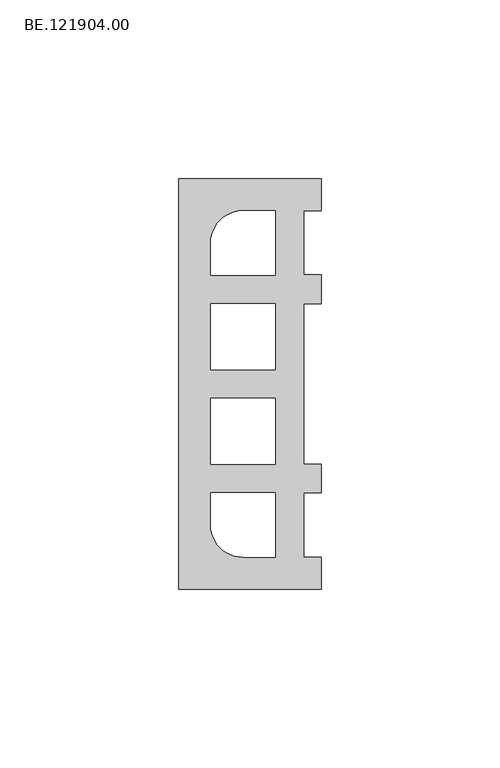
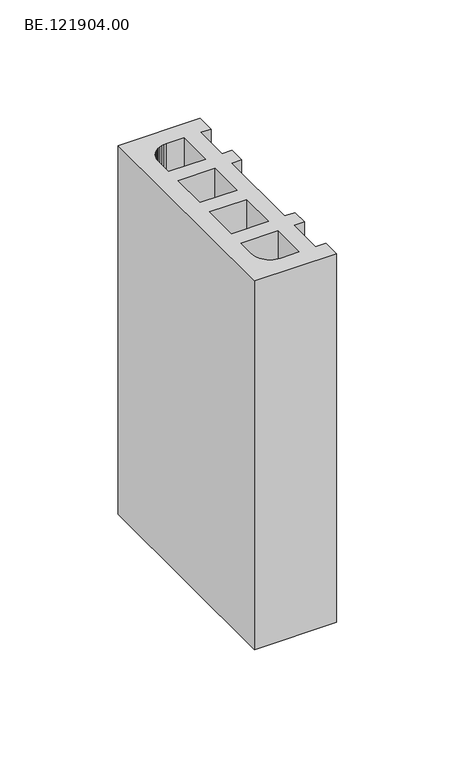
"""IFC4 building model written with IfcOpenShell, lengths in millimetres: proxy geometry, BE.121904.00."""

import ifcopenshell
import ifcopenshell.guid

model = None  # the IFC model being written
_history = None  # IfcOwnerHistory: only IFC2X3 demands one
_inside = {}  # id of a spatial element -> (the spatial element, [elements in it])
_under = {}  # id of a project, library or spatial element -> (it, [spatial elements below it])
_declared = {}  # id of a project -> (the project, [libraries it declares])
_typed = {}  # id of a type object -> (the type object, [elements of that type])
_made_of = {}  # id of a material, layer set ... -> (it, [elements and type objects made of it])


def new_model(schema):
    """Start an empty IFC model of exactly this schema.

    Asked for "IFC4X3", IfcOpenShell would pick the latest addendum, in which some entities
    have other attributes; the version numbers below select the first issue.
    IFC2X3 requires an IfcOwnerHistory on every rooted entity: one is made here for all.
    """
    global model, _history
    if schema == "IFC4X3":
        model = ifcopenshell.file(schema_version=(4, 3, 0, 0))
    else:
        model = ifcopenshell.file(schema=schema)
    _inside.clear()
    _under.clear()
    _declared.clear()
    _typed.clear()
    _made_of.clear()
    _history = None
    if model.schema == "IFC2X3":
        org = make("IfcOrganization", Name="unknown")
        user = make(
            "IfcPersonAndOrganization",
            ThePerson=make("IfcPerson", FamilyName="unknown"),
            TheOrganization=org,
        )
        app = make(
            "IfcApplication",
            ApplicationDeveloper=org,
            Version="unknown",
            ApplicationFullName="unknown",
            ApplicationIdentifier="unknown",
        )
        _history = make(
            "IfcOwnerHistory",
            OwningUser=user,
            OwningApplication=app,
            ChangeAction="ADDED",
            CreationDate=0,
        )
    return model


def make(cls, **values):
    """One entity of the class cls with the attributes given. An attribute that is None is left unset."""
    return model.create_entity(
        cls, **{name: value for name, value in values.items() if value is not None}
    )


def rooted(cls, **values):
    """An entity with a GlobalId (a new one), such as an element, a storey or a relation."""
    return make(cls, GlobalId=ifcopenshell.guid.new(), OwnerHistory=_history, **values)


def si_unit(unit_type, name, prefix=None):
    """IfcSIUnit, for example si_unit("LENGTHUNIT", "METRE", prefix="MILLI")."""
    return make("IfcSIUnit", UnitType=unit_type, Prefix=prefix, Name=name)


def assignment(units):
    """IfcUnitAssignment: the units of a project."""
    return None if units is None else make("IfcUnitAssignment", Units=units)


def point(xyz):
    """IfcCartesianPoint."""
    return None if xyz is None else make("IfcCartesianPoint", Coordinates=xyz)


def direction(xyz):
    """IfcDirection."""
    return None if xyz is None else make("IfcDirection", DirectionRatios=xyz)


def frame(location, z_axis=None, x_axis=None):
    """IfcAxis2Placement3D, a coordinate frame: its origin and axes. An axis left out is left unset."""
    return make(
        "IfcAxis2Placement3D",
        Location=point(location),
        Axis=direction(z_axis),
        RefDirection=direction(x_axis),
    )


def origin():
    """The frame at (0, 0, 0) with its axes left unset."""
    return frame((0.0, 0.0, 0.0))


def origin_with_axes():
    """The frame at (0, 0, 0) with the z axis (0, 0, 1) and the x axis (1, 0, 0) written out."""
    return frame((0.0, 0.0, 0.0), z_axis=(0.0, 0.0, 1.0), x_axis=(1.0, 0.0, 0.0))


def place(relative_to, where):
    """IfcLocalPlacement: puts the frame where relative to a parent placement (None: the world)."""
    return make(
        "IfcLocalPlacement", PlacementRelTo=relative_to, RelativePlacement=where
    )


def context(
    kind, dimensions, precision=None, world=None, true_north=None, identifier=None
):
    """IfcGeometricRepresentationContext, for example the 3D "Model" context."""
    return make(
        "IfcGeometricRepresentationContext",
        ContextIdentifier=identifier,
        ContextType=kind,
        CoordinateSpaceDimension=dimensions,
        Precision=precision,
        WorldCoordinateSystem=world,
        TrueNorth=true_north,
    )


def project(units=None, contexts=None):
    """IfcProject with its units and contexts."""
    return rooted(
        "IfcProject",
        Name="project",
        RepresentationContexts=contexts,
        UnitsInContext=assignment(units),
    )


def spatial(cls, under=None, at=None, **own):
    """A site, building, storey or space (cls), placed at a placement, below another one or the project."""
    s = rooted(cls, ObjectPlacement=at, **own)
    if under is not None:
        _under.setdefault(under.id(), (under, []))[1].append(s)
    return s


def polyline(points):
    """IfcPolyline through the points."""
    return make("IfcPolyline", Points=[point(p) for p in points])


def outline(outer, holes=None, kind="AREA"):
    """IfcArbitraryClosedProfileDef: a profile drawn as a closed curve; with holes, ...WithVoids."""
    if holes is None:
        return make("IfcArbitraryClosedProfileDef", ProfileType=kind, OuterCurve=outer)
    return make(
        "IfcArbitraryProfileDefWithVoids",
        ProfileType=kind,
        OuterCurve=outer,
        InnerCurves=holes,
    )


def extrude(swept, where, along, depth):
    """IfcExtrudedAreaSolid: the profile swept, set in the frame where, extruded along a direction by depth."""
    return make(
        "IfcExtrudedAreaSolid",
        SweptArea=swept,
        Position=where,
        ExtrudedDirection=direction(along),
        Depth=depth,
    )


def shape(context_of_items, identifier, shape_type, items):
    """IfcShapeRepresentation: the items that make up one representation, for example the "Body"."""
    return make(
        "IfcShapeRepresentation",
        ContextOfItems=context_of_items,
        RepresentationIdentifier=identifier,
        RepresentationType=shape_type,
        Items=items,
    )


def source(mapping_origin, context_of_items, identifier, shape_type, items):
    """IfcRepresentationMap: a shape defined once, which mapped items show again and again."""
    return make(
        "IfcRepresentationMap",
        MappingOrigin=mapping_origin,
        MappedRepresentation=shape(context_of_items, identifier, shape_type, items),
    )


def transform(
    local_origin,
    x_axis=None,
    y_axis=None,
    z_axis=None,
    scale=None,
    scale2=None,
    scale3=None,
    uniform=True,
):
    """IfcCartesianTransformationOperator3D, or its non-uniform kind. x_axis, y_axis, z_axis: its Axis1, 2, 3."""
    if uniform:
        return make(
            "IfcCartesianTransformationOperator3D",
            Axis1=direction(x_axis),
            Axis2=direction(y_axis),
            LocalOrigin=point(local_origin),
            Scale=scale,
            Axis3=direction(z_axis),
        )
    return make(
        "IfcCartesianTransformationOperator3DnonUniform",
        Axis1=direction(x_axis),
        Axis2=direction(y_axis),
        LocalOrigin=point(local_origin),
        Scale=scale,
        Axis3=direction(z_axis),
        Scale2=scale2,
        Scale3=scale3,
    )


def mapped(mapping_source, mapping_target):
    """IfcMappedItem: shows the shape of a source again, moved by a transform."""
    return make(
        "IfcMappedItem", MappingSource=mapping_source, MappingTarget=mapping_target
    )


def made_of(thing, what):
    """Note that an element or type object is made of a material, layer set ...; save() writes the relation."""
    if what is not None:
        _made_of.setdefault(what.id(), (what, []))[1].append(thing)
    return thing


def element(
    cls,
    number,
    at=None,
    inside=None,
    cuts=None,
    type_object=None,
    material=None,
    context=None,
    identifier="Body",
    shape_type=None,
    held_by="IfcProductDefinitionShape",
    body=None,
    shapes=None,
    **own,
):
    """One element of the class cls, such as IfcWall. Its Tag is "e" and its number.

    at: its placement. inside: the storey or other place that contains it. cuts: it is an
    opening in that element (IfcRelVoidsElement). A single representation is given by context,
    identifier, shape_type and body (its items); several are given by shapes. held_by: the class
    of the entity that holds the representations. save() writes the other relations.
    """
    e = rooted(cls, Tag="e%d" % number, ObjectPlacement=at, **own)
    if body is not None:
        shapes = [shape(context, identifier, shape_type, body)]
    if shapes is not None:
        e.Representation = make(held_by, Representations=shapes)
    if inside is not None:
        _inside.setdefault(inside.id(), (inside, []))[1].append(e)
    if cuts is not None:
        rooted(
            "IfcRelVoidsElement", RelatingBuildingElement=cuts, RelatedOpeningElement=e
        )
    if type_object is not None:
        _typed.setdefault(type_object.id(), (type_object, []))[1].append(e)
    return made_of(e, material)


def aggregate(whole, parts):
    """IfcRelAggregates: a whole, such as a stair, and the parts it consists of."""
    return rooted("IfcRelAggregates", RelatingObject=whole, RelatedObjects=parts)


def save(model, path):
    """Write the relations noted so far, then the file.

    IfcRelAggregates (storeys below a building ...), IfcRelContainedInSpatialStructure (elements
    in a storey), IfcRelDefinesByType, IfcRelAssociatesMaterial and IfcRelDeclares: one each for
    every whole, place, type object, material and project.
    """
    for whole, parts in _under.values():
        aggregate(whole, parts)
    for where, things in _inside.values():
        rooted(
            "IfcRelContainedInSpatialStructure",
            RelatedElements=things,
            RelatingStructure=where,
        )
    for kind, things in _typed.values():
        rooted("IfcRelDefinesByType", RelatedObjects=things, RelatingType=kind)
    for what, things in _made_of.values():
        rooted("IfcRelAssociatesMaterial", RelatedObjects=things, RelatingMaterial=what)
    for by, libraries in _declared.values():
        rooted("IfcRelDeclares", RelatingContext=by, RelatedDefinitions=libraries)
    model.write(path)


def be_121904_00_435eaf40(model_context):
    return source(origin(), model_context, "Body", "SweptSolid", [
        extrude(outline(polyline([(44.9975586, 57.5034668), (44.9975586, 48.4993652), (39.9932129, 48.4993652), (39.9932129, 30.5097656), (44.9975586, 30.5097656), (44.9975586, 22.5009521), (39.9932129, 22.5009521), (39.9932129, -22.5009521), (44.9975586, -22.5009521), (44.9975586, -30.5004639), (39.9932129, -30.5004639), (39.9932129, -48.4993652), (44.9975586, -48.4993652), (44.9975586, -57.5034668), (5.0, -57.5034668), (5.0, 57.5034668), (44.9975586, 57.5034668)]), holes=[polyline([(32.0020996, 22.5009521), (14.0125, 22.5009521), (14.0125, 3.9997559), (32.0020996, 3.9997559), (32.0020996, 22.5009521)]), polyline([(32.0020996, -22.5009521), (32.0020996, -3.9997559), (14.0125, -3.9997559), (14.0125, -22.5009521), (32.0020996, -22.5009521)]), polyline([(14.0041016, 30.5004639), (32.0030029, 30.5004639), (32.0030029, 48.4993652), (23.0082031, 48.4993652), (21.8268799, 48.4249512), (20.6734619, 48.1924072), (19.557251, 47.8203369), (18.5061523, 47.2994385), (17.5294678, 46.6390137), (16.636499, 45.8669678), (15.8644531, 44.9833008), (15.2133301, 43.9973145), (14.6924316, 42.9462158), (14.3110596, 41.8300049), (14.0785156, 40.6765869), (14.0041016, 39.5045654), (14.0041016, 30.5004639)]), polyline([(14.0041016, -30.5004639), (14.0041016, -39.5045654), (14.0785156, -40.6765869), (14.3110596, -41.8300049), (14.6924316, -42.9462158), (15.2133301, -43.9973145), (15.8644531, -44.9833008), (16.636499, -45.8669678), (17.5294678, -46.6390137), (18.5061523, -47.2994385), (19.557251, -47.8203369), (20.6734619, -48.1924072), (21.8268799, -48.4249512), (23.0082031, -48.4993652), (32.0030029, -48.4993652), (32.0030029, -30.5004639), (14.0041016, -30.5004639)])]), origin_with_axes(), (0.0, 0.0, 1.0), 190.0),
    ])


if __name__ == "__main__":
    model = new_model("IFC4")
    model_context = context("Model", 3, world=origin())
    ifc_project = project(units=[si_unit("LENGTHUNIT", "METRE", prefix="MILLI")], contexts=[model_context])
    site = spatial("IfcSite", under=ifc_project)
    building = spatial("IfcBuilding", under=site)
    placement = place(None, origin())
    be_121904_00_shape = be_121904_00_435eaf40(model_context)
    element("IfcBuildingElementProxy", 1, Name="BE.121904.00", ObjectType="BE.121904.00", at=placement, inside=building, context=model_context, shape_type="MappedRepresentation", body=[
        mapped(be_121904_00_shape, transform((0.0, 0.0, 0.0), x_axis=(1.0, 0.0, 0.0), y_axis=(0.0, 1.0, 0.0), z_axis=(0.0, 0.0, 1.0))),
    ])
    save(model, "model.ifc")
